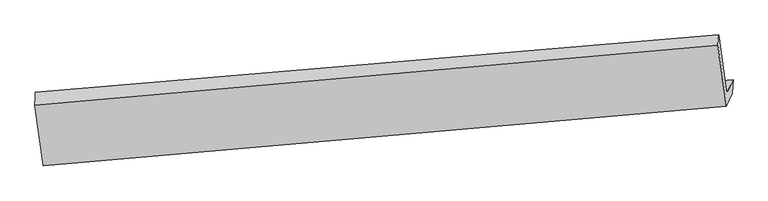
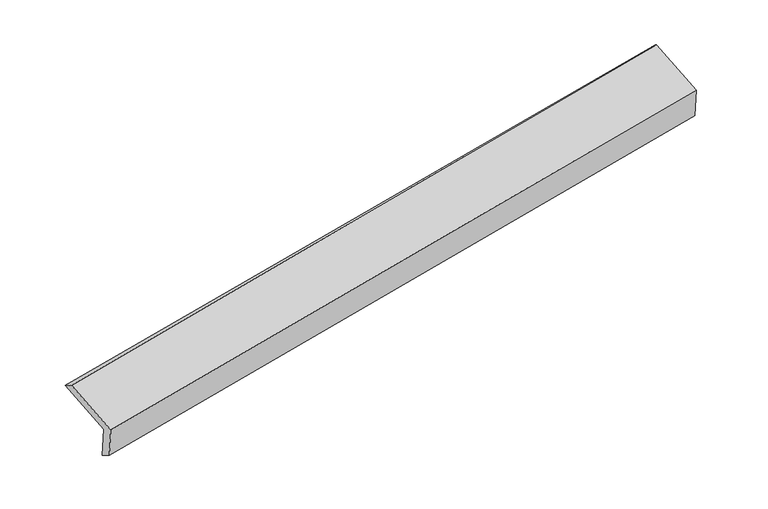
"""IFC4 building model written with IfcOpenShell, lengths in millimetres: proxy geometry."""

from ifc_helpers import new_model, si_unit, frame, origin, place, context, project, spatial, source, transform, mapped, element, save
from ifc_brep_helpers import plane_surface, spline_surface, advanced_brep


def generic_models_f71ee352(model_context):
    return source(origin(), model_context, "Body", "AdvancedBrep", [
        advanced_brep(
        [(-6035.466392, -1821.3773702, 987.0035544), (-6093.5546962, -1948.5246015, 1374.1650999), (388.9804005, -1396.2527012, 2544.0996832), (448.4799011, -1266.0165568, 2147.5324405), (-6038.3532666, -1958.413671, 1069.6833426), (442.8419057, -1396.6688235, 2242.5278871), (-6095.3736214, -2083.2233093, 1449.7269502), (385.8215509, -1521.4784619, 2622.5714947), (-6176.4215021, -1510.2340359, 1625.7415016), (303.4337459, -939.0162412, 2801.4960072), (-6173.2471046, -1385.1181955, 1547.235924), (310.6279165, -842.3192424, 2714.2605461)],
        [
            (0, 1),
            (1, 2),
            (2, 3),
            (3, 0),
            (4, 0),
            (3, 5),
            (5, 4),
            (6, 4),
            (5, 7),
            (7, 6),
            (8, 6),
            (7, 9),
            (9, 8),
            (10, 8),
            (9, 11),
            (11, 10),
            (1, 10),
            (11, 2),
        ],
        [
            plane_surface(frame((-6064.5105441, -1884.9509858, 1180.5843272), z_axis=(-0.13325046999502904, 0.9473587141241829, 0.2911284579340855), x_axis=(-0.1411196460209885, -0.30889130807598647, 0.9405697237855454))),
            spline_surface(1, 1, [[(-6038.3532666, -1958.413671, 1069.6833426), (442.8419057, -1396.6688235, 2242.5278871)], [(-6035.466392, -1821.3773702, 987.0035544), (448.4799011, -1266.0165568, 2147.5324405)]], [2, 2], [2, 2], [0.0, 1.0], [0.0, 1.0]),
            plane_surface(frame((-6066.863444, -2020.8184901, 1259.7051464), z_axis=(0.1347343282282785, -0.9472301825005147, -0.2908636143571697), x_axis=(0.14111964602098853, 0.3088913080759859, -0.9405697237855455))),
            plane_surface(frame((-6135.8975617, -1796.7286726, 1537.7342259), z_axis=(-0.1433450649573733, -0.30908330981369414, 0.9401700377841121), x_axis=(0.13399243744183753, -0.9472947192976163, -0.29099611938863673))),
            spline_surface(1, 1, [[(-6173.2471046, -1385.1181955, 1547.235924), (310.6279165, -842.3192424, 2714.2605461)], [(-6176.4215021, -1510.2340359, 1625.7415016), (303.4337459, -939.0162412, 2801.4960072)]], [2, 2], [2, 2], [0.0, 1.0], [0.0, 1.0]),
            plane_surface(frame((-6133.4009004, -1666.8213985, 1460.700512), z_axis=(0.14334506495737317, 0.3090833098136977, -0.9401700377841109), x_axis=(-0.13399243744182865, 0.9472947192976159, 0.29099611938864195))),
            plane_surface(frame((380.0309034, -1226.9586712, 2512.0813431), z_axis=(0.9808829044362566, 0.08496396051241538, 0.17507099473853024), x_axis=(0.13399243744183753, -0.9472947192976163, -0.29099611938863673))),
            plane_surface(frame((-6102.0694305, -1784.4818639, 1342.2593955), z_axis=(-0.9808829044362594, -0.08496396051239558, -0.1750709947385237), x_axis=(0.141119646020988, 0.30889130807598664, -0.9405697237855453))),
        ],
        [
            (0, [[1, 2, 3, 4]]),
            (1, [[5, -4, 6, 7]]),
            (2, [[8, -7, 9, 10]]),
            (3, [[11, -10, 12, 13]]),
            (4, [[14, -13, 15, 16]]),
            (5, [[17, -16, 18, -2]]),
            (6, [[-12, -9, -6, -3, -18, -15]]),
            (7, [[-1, -5, -8, -11, -14, -17]]),
        ],
    ),
    ])


if __name__ == "__main__":
    model = new_model("IFC4")
    model_context = context("Model", 3, world=origin())
    ifc_project = project(units=[si_unit("LENGTHUNIT", "METRE", prefix="MILLI")], contexts=[model_context])
    site = spatial("IfcSite", under=ifc_project)
    building = spatial("IfcBuilding", under=site)
    placement = place(None, origin())
    generic_models_shape = generic_models_f71ee352(model_context)
    element("IfcBuildingElementProxy", 1, Name="Generic Models", at=placement, inside=building, context=model_context, shape_type="MappedRepresentation", body=[
        mapped(generic_models_shape, transform((0.0, 0.0, 0.0), x_axis=(1.0, 0.0, 0.0), y_axis=(0.0, 1.0, 0.0), z_axis=(0.0, 0.0, 1.0))),
    ])
    save(model, "model.ifc")
